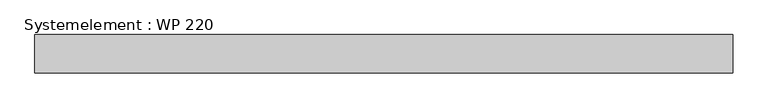
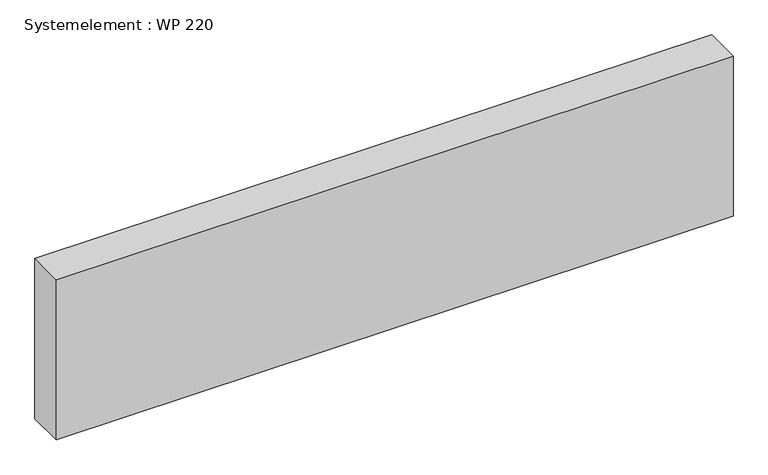
"""IFC4 building model written with IfcOpenShell, lengths in millimetres: plate geometry, Systemelement : WP 220."""

from ifc_helpers import new_model, si_unit, origin, origin_with_axes, place, context, project, spatial, polyline, outline, extrude, source, transform, mapped, element, save


def systemelement_wp_220_e4c592e6(model_context):
    return source(origin(), model_context, "Body", "SweptSolid", [
        extrude(outline(polyline([(2000.0, -220.0), (-2000.0, -220.0), (-2000.0, 0.0), (2000.0, 0.0), (2000.0, -220.0)])), origin_with_axes(), (0.0, 0.0, 1.0), 1000.0),
    ])


if __name__ == "__main__":
    model = new_model("IFC4")
    model_context = context("Model", 3, world=origin())
    ifc_project = project(units=[si_unit("LENGTHUNIT", "METRE", prefix="MILLI")], contexts=[model_context])
    site = spatial("IfcSite", under=ifc_project)
    building = spatial("IfcBuilding", under=site)
    placement = place(None, origin())
    systemelement_wp_220_shape = systemelement_wp_220_e4c592e6(model_context)
    element("IfcPlate", 1, ObjectType="Systemelement : WP 220", at=placement, inside=building, context=model_context, shape_type="MappedRepresentation", body=[
        mapped(systemelement_wp_220_shape, transform((0.0, 0.0, 0.0), x_axis=(1.0, 0.0, 0.0), y_axis=(0.0, 1.0, 0.0), z_axis=(0.0, 0.0, 1.0))),
    ])
    save(model, "model.ifc")
